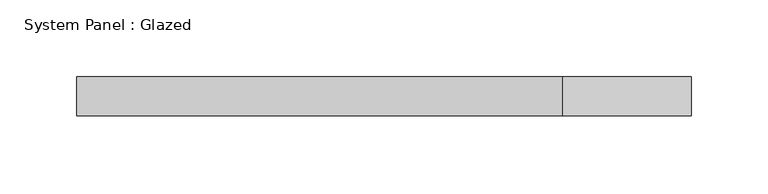
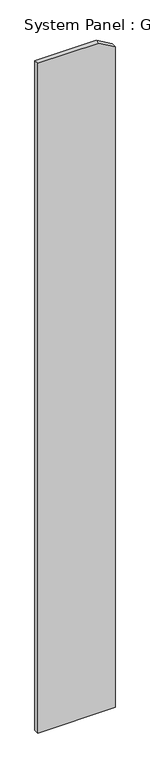
"""IFC4 building model written with IfcOpenShell, lengths in millimetres: plate geometry, System Panel : Glazed."""

from ifc_helpers import new_model, si_unit, frame, origin, place, context, project, spatial, polyline, outline, extrude, source, transform, mapped, element, save


def system_panel_glazed_cb9975df(model_context):
    return source(origin(), model_context, "Body", "SweptSolid", [
        extrude(outline(polyline([(0.0, -199.7595047), (0.0, 199.7595047), (3608.975813, 199.7595047), (3657.6, 116.3797671), (3657.6, -199.7595047), (0.0, -199.7595047)])), frame((0.0, 19.05, 0.0), z_axis=(0.0, 1.0, 0.0), x_axis=(0.0, 0.0, 1.0)), (0.0, 0.0, 1.0), 25.4),
    ])


if __name__ == "__main__":
    model = new_model("IFC4")
    model_context = context("Model", 3, world=origin())
    ifc_project = project(units=[si_unit("LENGTHUNIT", "METRE", prefix="MILLI")], contexts=[model_context])
    site = spatial("IfcSite", under=ifc_project)
    building = spatial("IfcBuilding", under=site)
    placement = place(None, origin())
    system_panel_glazed_shape = system_panel_glazed_cb9975df(model_context)
    element("IfcPlate", 1, ObjectType="System Panel : Glazed", at=placement, inside=building, context=model_context, shape_type="MappedRepresentation", body=[
        mapped(system_panel_glazed_shape, transform((0.0, 0.0, 0.0), x_axis=(1.0, 0.0, 0.0), y_axis=(0.0, 1.0, 0.0), z_axis=(0.0, 0.0, 1.0))),
    ])
    save(model, "model.ifc")
